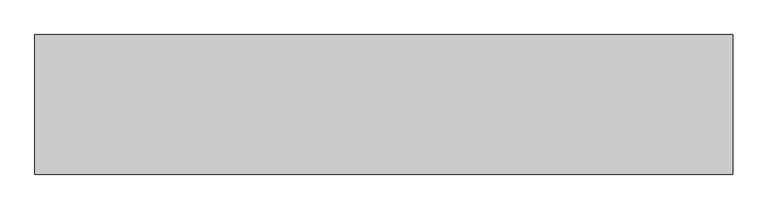
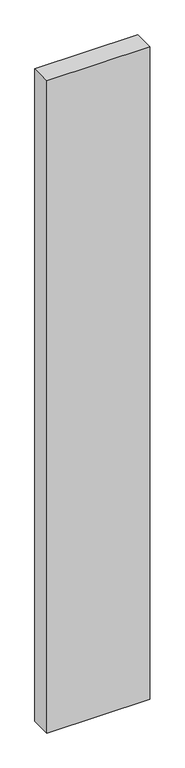
"""IFC4 building model written with IfcOpenShell, lengths in millimetres: proxy geometry."""

from ifc_helpers import new_model, si_unit, origin, origin_with_axes, place, context, project, spatial, polyline, outline, extrude, source, transform, mapped, element, save


def generic_models_20e4ebe7(model_context):
    return source(origin(), model_context, "Body", "SweptSolid", [
        extrude(outline(polyline([(1000.0, -200.0), (0.0, -200.0), (0.0, 0.0), (1000.0, 0.0), (1000.0, -200.0)])), origin_with_axes(), (0.0, 0.0, 1.0), 6700.0),
    ])


if __name__ == "__main__":
    model = new_model("IFC4")
    model_context = context("Model", 3, world=origin())
    ifc_project = project(units=[si_unit("LENGTHUNIT", "METRE", prefix="MILLI")], contexts=[model_context])
    site = spatial("IfcSite", under=ifc_project)
    building = spatial("IfcBuilding", under=site)
    placement = place(None, origin())
    generic_models_shape = generic_models_20e4ebe7(model_context)
    element("IfcBuildingElementProxy", 1, Name="Generic Models", at=placement, inside=building, context=model_context, shape_type="MappedRepresentation", body=[
        mapped(generic_models_shape, transform((0.0, 0.0, 0.0), x_axis=(1.0, 0.0, 0.0), y_axis=(0.0, 1.0, 0.0), z_axis=(0.0, 0.0, 1.0))),
    ])
    save(model, "model.ifc")
